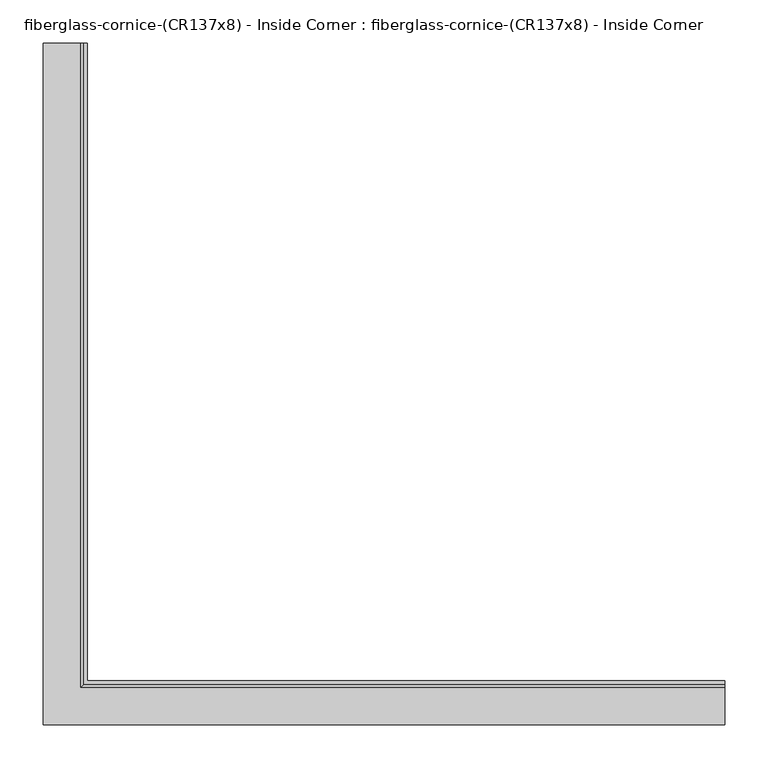
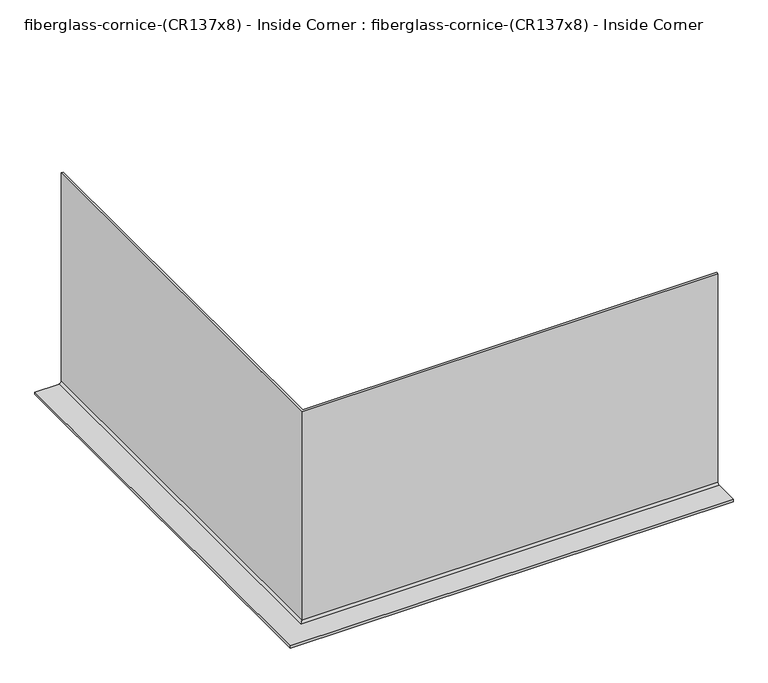
"""IFC4 building model written with IfcOpenShell, lengths in millimetres: furniture geometry, fiberglass-cornice-(CR137x8) - Inside Corner : fiberglass-cornice-(CR137x8) - Inside Corner."""

from ifc_helpers import new_model, si_unit, frame, origin, place, context, project, spatial, polyline, circle_curve, ellipse_curve, source, transform, mapped, element, save
from ifc_brep_helpers import plane_surface, cylinder_surface, revolved_surface, advanced_brep


def fiberglass_cornice_cr137x8_inside_corner_fiberglass_cornice_9064f1c7(model_context):
    return source(origin(), model_context, "Body", "AdvancedBrep", [
        advanced_brep(
        [(-342.8999938, 888.603125, 330.1999904), (-342.8999938, 888.603125, -66.6750096), (-346.0749938, 888.603125, -69.8500096), (-393.6999938, 888.603125, -69.8500096), (-393.6999938, 888.603125, -65.7225096), (-350.8374938, 888.603125, -65.7225096), (-347.0274938, 888.603125, -61.9125096), (-347.0274938, 888.603125, 330.1999904), (393.6999938, 152.003125, 330.1999904), (393.6999938, 147.875625, 330.1999904), (393.6999938, 147.875625, -61.9125096), (393.6999938, 144.065625, -65.7225096), (393.6999938, 101.203125, -65.7225096), (393.6999938, 101.203125, -69.8500096), (393.6999938, 148.828125, -69.8500096), (393.6999938, 152.003125, -66.6750096), (-342.8999938, 152.003125, 330.1999904), (-342.8999938, 152.003125, -66.6750096), (-346.0749938, 148.828125, -69.8500096), (-393.6999938, 101.203125, -69.8500096), (-393.6999938, 101.203125, -65.7225096), (-350.8374938, 144.065625, -65.7225096), (-347.0274938, 147.875625, -61.9125096), (-347.0274938, 147.875625, 330.1999904)],
        [
            (0, 1),
            (1, 2, circle_curve(frame((-346.0749938, 888.603125, -66.6750096), z_axis=(0.0, 1.0, 0.0), x_axis=(1.0, 0.0, 0.0)), 3.175)),
            (2, 3),
            (3, 4),
            (4, 5),
            (5, 6, circle_curve(frame((-350.8374938, 888.603125, -61.9125096), z_axis=(0.0, -1.0, 0.0), x_axis=(1.0, 0.0, 0.0)), 3.81)),
            (6, 7),
            (7, 0),
            (8, 9),
            (9, 10),
            (10, 11, circle_curve(frame((393.6999938, 144.065625, -61.9125096), z_axis=(-1.0, 0.0, 0.0), x_axis=(0.0, 1.0, 0.0)), 3.81)),
            (11, 12),
            (12, 13),
            (13, 14),
            (14, 15, circle_curve(frame((393.6999938, 148.828125, -66.6750096), z_axis=(1.0, 0.0, 0.0), x_axis=(0.0, 1.0, 0.0)), 3.175)),
            (15, 8),
            (0, 16),
            (16, 17),
            (17, 1),
            (17, 18, ellipse_curve(frame((-346.0749938, 148.828125, -66.6750096), z_axis=(-0.7071067811865475, 0.7071067811865475, 0.0), x_axis=(0.7071067811865474, 0.7071067811865476, 0.0)), 4.4901281, 3.175)),
            (18, 2),
            (18, 14),
            (13, 19),
            (19, 3),
            (19, 20),
            (20, 4),
            (20, 12),
            (11, 21),
            (21, 5),
            (21, 22, ellipse_curve(frame((-350.8374938, 144.065625, -61.9125096), z_axis=(0.7071067811865475, -0.7071067811865475, 0.0), x_axis=(-0.7071067811865474, -0.7071067811865476, 0.0)), 5.3881537, 3.81)),
            (22, 6),
            (22, 23),
            (23, 7),
            (23, 9),
            (8, 16),
            (15, 17),
            (10, 22),
        ],
        [
            plane_surface(frame((-393.6999938, 888.603125, 330.1999904), z_axis=(0.0, 1.0, 0.0), x_axis=(0.0, 0.0, 1.0))),
            plane_surface(frame((393.6999938, 101.203125, 330.1999904), z_axis=(1.0, 0.0, 0.0), x_axis=(0.0, 0.0, 1.0))),
            plane_surface(frame((-342.8999938, 888.603125, 330.1999904), z_axis=(1.0, 0.0, 0.0), x_axis=(0.0, -1.0, 0.0))),
            cylinder_surface(frame((-346.0749938, 888.603125, -66.6750096), z_axis=(0.0, 1.0, 0.0), x_axis=(1.0, 0.0, 0.0)), 3.175),
            plane_surface(frame((-346.0749938, 888.603125, -69.8500096), z_axis=(0.0, 0.0, -1.0), x_axis=(0.0, -1.0, 0.0))),
            plane_surface(frame((-393.6999938, 888.603125, -69.8500096), z_axis=(-1.0, 0.0, 0.0), x_axis=(0.0, -1.0, 0.0))),
            plane_surface(frame((-393.6999938, 888.603125, -65.7225096), z_axis=(0.0, 0.0, 1.0), x_axis=(0.0, -1.0, 0.0))),
            revolved_surface(polyline([(-347.0274938, 140.25562498065472, -61.9125096), (-347.0274938, 888.603125, -61.9125096)]), (-350.8374938, 888.603125, -61.9125096), (0.0, -1.0, 0.0)),
            plane_surface(frame((-347.0274938, 888.603125, -61.9125096), z_axis=(-1.0, 0.0, 0.0), x_axis=(0.0, -1.0, 0.0))),
            plane_surface(frame((-347.0274938, 888.603125, 330.1999904), z_axis=(0.0, 0.0, 1.0), x_axis=(0.0, -1.0, 0.0))),
            plane_surface(frame((-342.8999938, 152.003125, 330.1999904), z_axis=(0.0, 1.0, 0.0), x_axis=(1.0, 0.0, 0.0))),
            cylinder_surface(frame((-393.6999938, 148.828125, -66.6750096), z_axis=(-1.0, 0.0, 0.0), x_axis=(0.0, 1.0, 0.0)), 3.175),
            plane_surface(frame((-393.6999938, 101.203125, -69.8500096), z_axis=(0.0, -1.0, 0.0), x_axis=(1.0, 0.0, 0.0))),
            revolved_surface(polyline([(393.6999938, 147.875625, -61.9125096), (-354.6474938193454, 147.875625, -61.9125096)]), (-393.6999938, 144.065625, -61.9125096), (1.0, 0.0, 0.0)),
            plane_surface(frame((-347.0274938, 147.875625, -61.9125096), z_axis=(0.0, -1.0, 0.0), x_axis=(1.0, 0.0, 0.0))),
        ],
        [
            (0, [[1, 2, 3, 4, 5, 6, 7, 8]]),
            (1, [[9, 10, 11, 12, 13, 14, 15, 16]]),
            (2, [[-1, 17, 18, 19]]),
            (3, [[-2, -19, 20, 21]]),
            (4, [[-3, -21, 22, -14, 23, 24]]),
            (5, [[-4, -24, 25, 26]]),
            (6, [[-5, -26, 27, -12, 28, 29]]),
            (7, [[-6, -29, 30, 31]]),
            (8, [[-7, -31, 32, 33]]),
            (9, [[-8, -33, 34, -9, 35, -17]]),
            (10, [[-18, -35, -16, 36]]),
            (11, [[-20, -36, -15, -22]]),
            (12, [[-25, -23, -13, -27]]),
            (13, [[-30, -28, -11, 37]]),
            (14, [[-32, -37, -10, -34]]),
        ],
    ),
    ])


if __name__ == "__main__":
    model = new_model("IFC4")
    model_context = context("Model", 3, world=origin())
    ifc_project = project(units=[si_unit("LENGTHUNIT", "METRE", prefix="MILLI")], contexts=[model_context])
    site = spatial("IfcSite", under=ifc_project)
    building = spatial("IfcBuilding", under=site)
    placement = place(None, origin())
    fiberglass_cornice_cr137x8_inside_corner_fiberglass_cornice_shape = fiberglass_cornice_cr137x8_inside_corner_fiberglass_cornice_9064f1c7(model_context)
    element("IfcFurniture", 1, ObjectType="fiberglass-cornice-(CR137x8) - Inside Corner : fiberglass-cornice-(CR137x8) - Inside Corner", at=placement, inside=building, context=model_context, shape_type="MappedRepresentation", body=[
        mapped(fiberglass_cornice_cr137x8_inside_corner_fiberglass_cornice_shape, transform((0.0, 0.0, 0.0), x_axis=(1.0, 0.0, 0.0), y_axis=(0.0, 1.0, 0.0), z_axis=(0.0, 0.0, 1.0))),
    ])
    save(model, "model.ifc")
